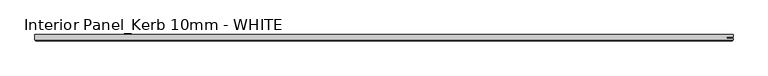
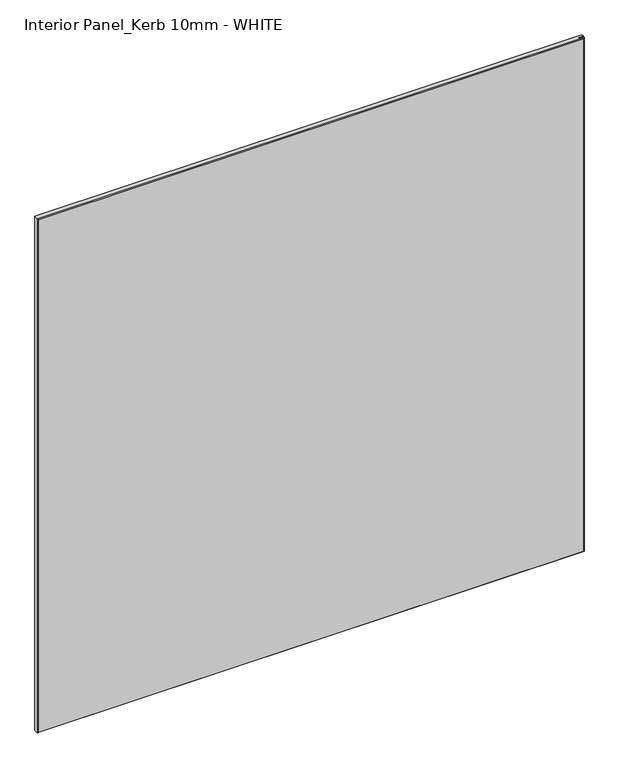
"""IFC4 building model written with IfcOpenShell, lengths in millimetres: proxy geometry, Interior Panel_Kerb 10mm - WHITE."""

from ifc_helpers import new_model, si_unit, origin, place, context, project, spatial, faceted_brep, source, transform, mapped, element, save


def interior_panel_kerb_10mm_white_67fb2040(model_context):
    return source(origin(), model_context, "Body", "Brep", [
        faceted_brep([(998.5375, 3.175, 1063.625), (-73.025, 3.175, 1063.625), (-73.025, -4.7625, 1063.625), (998.5375, -4.7625, 1063.625), (998.5375, -2.6543, 1063.625), (988.7148437, -2.6543, 1063.625), (988.7148437, -0.5207, 1063.625), (998.5375, -0.5207, 1063.625), (998.5375, 3.175, 0.0), (998.5375, -0.5207, 0.0), (988.7148437, -0.5207, 0.0), (988.7148437, -2.6543, 0.0), (998.5375, -2.6543, 0.0), (998.5375, -4.7625, 0.0), (-73.025, -4.7625, 0.0), (-73.025, 3.175, 0.0), (-71.4375, -6.35, 1062.0375), (-71.4375, -6.35, 1.5875), (996.95, -6.35, 1.5875), (996.95, -6.35, 1062.0375)], [[[0, 1, 2, 3, 4, 5, 6, 7]], [[8, 9, 10, 11, 12, 13, 14, 15]], [[1, 0, 8, 15]], [[2, 1, 15, 14]], [[16, 17, 18, 19]], [[4, 3, 13, 12]], [[2, 14, 17, 16]], [[13, 3, 19, 18]], [[3, 2, 16, 19]], [[14, 13, 18, 17]], [[5, 4, 12, 11]], [[6, 5, 11, 10]], [[7, 6, 10, 9]], [[0, 7, 9, 8]]]),
    ])


if __name__ == "__main__":
    model = new_model("IFC4")
    model_context = context("Model", 3, world=origin())
    ifc_project = project(units=[si_unit("LENGTHUNIT", "METRE", prefix="MILLI")], contexts=[model_context])
    site = spatial("IfcSite", under=ifc_project)
    building = spatial("IfcBuilding", under=site)
    placement = place(None, origin())
    interior_panel_kerb_10mm_white_shape = interior_panel_kerb_10mm_white_67fb2040(model_context)
    element("IfcBuildingElementProxy", 1, Name="Interior Panel_Kerb 10mm - WHITE", ObjectType="Interior Panel_Kerb 10mm - WHITE", at=placement, inside=building, context=model_context, shape_type="MappedRepresentation", body=[
        mapped(interior_panel_kerb_10mm_white_shape, transform((0.0, 0.0, 0.0), x_axis=(1.0, 0.0, 0.0), y_axis=(0.0, 1.0, 0.0), z_axis=(0.0, 0.0, 1.0))),
    ])
    save(model, "model.ifc")
